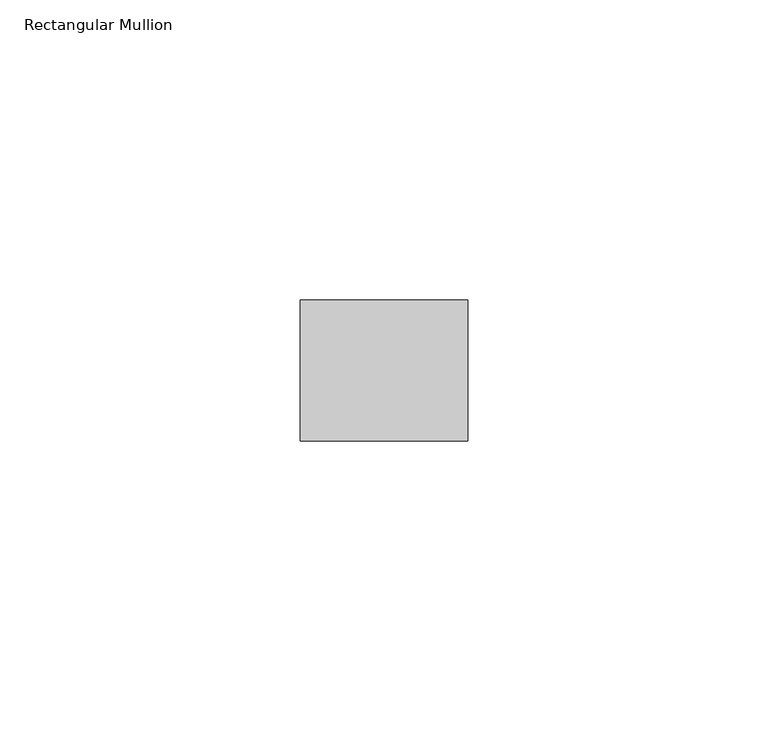
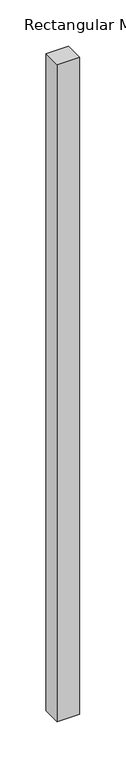
"""IFC4 building model written with IfcOpenShell, lengths in millimetres: member geometry, Rectangular Mullion."""

import ifcopenshell
import ifcopenshell.guid

model = None  # the IFC model being written
_history = None  # IfcOwnerHistory: only IFC2X3 demands one
_inside = {}  # id of a spatial element -> (the spatial element, [elements in it])
_under = {}  # id of a project, library or spatial element -> (it, [spatial elements below it])
_declared = {}  # id of a project -> (the project, [libraries it declares])
_typed = {}  # id of a type object -> (the type object, [elements of that type])
_made_of = {}  # id of a material, layer set ... -> (it, [elements and type objects made of it])


def new_model(schema):
    """Start an empty IFC model of exactly this schema.

    Asked for "IFC4X3", IfcOpenShell would pick the latest addendum, in which some entities
    have other attributes; the version numbers below select the first issue.
    IFC2X3 requires an IfcOwnerHistory on every rooted entity: one is made here for all.
    """
    global model, _history
    if schema == "IFC4X3":
        model = ifcopenshell.file(schema_version=(4, 3, 0, 0))
    else:
        model = ifcopenshell.file(schema=schema)
    _inside.clear()
    _under.clear()
    _declared.clear()
    _typed.clear()
    _made_of.clear()
    _history = None
    if model.schema == "IFC2X3":
        org = make("IfcOrganization", Name="unknown")
        user = make(
            "IfcPersonAndOrganization",
            ThePerson=make("IfcPerson", FamilyName="unknown"),
            TheOrganization=org,
        )
        app = make(
            "IfcApplication",
            ApplicationDeveloper=org,
            Version="unknown",
            ApplicationFullName="unknown",
            ApplicationIdentifier="unknown",
        )
        _history = make(
            "IfcOwnerHistory",
            OwningUser=user,
            OwningApplication=app,
            ChangeAction="ADDED",
            CreationDate=0,
        )
    return model


def make(cls, **values):
    """One entity of the class cls with the attributes given. An attribute that is None is left unset."""
    return model.create_entity(
        cls, **{name: value for name, value in values.items() if value is not None}
    )


def rooted(cls, **values):
    """An entity with a GlobalId (a new one), such as an element, a storey or a relation."""
    return make(cls, GlobalId=ifcopenshell.guid.new(), OwnerHistory=_history, **values)


def si_unit(unit_type, name, prefix=None):
    """IfcSIUnit, for example si_unit("LENGTHUNIT", "METRE", prefix="MILLI")."""
    return make("IfcSIUnit", UnitType=unit_type, Prefix=prefix, Name=name)


def assignment(units):
    """IfcUnitAssignment: the units of a project."""
    return None if units is None else make("IfcUnitAssignment", Units=units)


def point(xyz):
    """IfcCartesianPoint."""
    return None if xyz is None else make("IfcCartesianPoint", Coordinates=xyz)


def direction(xyz):
    """IfcDirection."""
    return None if xyz is None else make("IfcDirection", DirectionRatios=xyz)


def frame(location, z_axis=None, x_axis=None):
    """IfcAxis2Placement3D, a coordinate frame: its origin and axes. An axis left out is left unset."""
    return make(
        "IfcAxis2Placement3D",
        Location=point(location),
        Axis=direction(z_axis),
        RefDirection=direction(x_axis),
    )


def origin():
    """The frame at (0, 0, 0) with its axes left unset."""
    return frame((0.0, 0.0, 0.0))


def place(relative_to, where):
    """IfcLocalPlacement: puts the frame where relative to a parent placement (None: the world)."""
    return make(
        "IfcLocalPlacement", PlacementRelTo=relative_to, RelativePlacement=where
    )


def context(
    kind, dimensions, precision=None, world=None, true_north=None, identifier=None
):
    """IfcGeometricRepresentationContext, for example the 3D "Model" context."""
    return make(
        "IfcGeometricRepresentationContext",
        ContextIdentifier=identifier,
        ContextType=kind,
        CoordinateSpaceDimension=dimensions,
        Precision=precision,
        WorldCoordinateSystem=world,
        TrueNorth=true_north,
    )


def project(units=None, contexts=None):
    """IfcProject with its units and contexts."""
    return rooted(
        "IfcProject",
        Name="project",
        RepresentationContexts=contexts,
        UnitsInContext=assignment(units),
    )


def spatial(cls, under=None, at=None, **own):
    """A site, building, storey or space (cls), placed at a placement, below another one or the project."""
    s = rooted(cls, ObjectPlacement=at, **own)
    if under is not None:
        _under.setdefault(under.id(), (under, []))[1].append(s)
    return s


def polyline(points):
    """IfcPolyline through the points."""
    return make("IfcPolyline", Points=[point(p) for p in points])


def outline(outer, holes=None, kind="AREA"):
    """IfcArbitraryClosedProfileDef: a profile drawn as a closed curve; with holes, ...WithVoids."""
    if holes is None:
        return make("IfcArbitraryClosedProfileDef", ProfileType=kind, OuterCurve=outer)
    return make(
        "IfcArbitraryProfileDefWithVoids",
        ProfileType=kind,
        OuterCurve=outer,
        InnerCurves=holes,
    )


def extrude(swept, where, along, depth):
    """IfcExtrudedAreaSolid: the profile swept, set in the frame where, extruded along a direction by depth."""
    return make(
        "IfcExtrudedAreaSolid",
        SweptArea=swept,
        Position=where,
        ExtrudedDirection=direction(along),
        Depth=depth,
    )


def shape(context_of_items, identifier, shape_type, items):
    """IfcShapeRepresentation: the items that make up one representation, for example the "Body"."""
    return make(
        "IfcShapeRepresentation",
        ContextOfItems=context_of_items,
        RepresentationIdentifier=identifier,
        RepresentationType=shape_type,
        Items=items,
    )


def source(mapping_origin, context_of_items, identifier, shape_type, items):
    """IfcRepresentationMap: a shape defined once, which mapped items show again and again."""
    return make(
        "IfcRepresentationMap",
        MappingOrigin=mapping_origin,
        MappedRepresentation=shape(context_of_items, identifier, shape_type, items),
    )


def transform(
    local_origin,
    x_axis=None,
    y_axis=None,
    z_axis=None,
    scale=None,
    scale2=None,
    scale3=None,
    uniform=True,
):
    """IfcCartesianTransformationOperator3D, or its non-uniform kind. x_axis, y_axis, z_axis: its Axis1, 2, 3."""
    if uniform:
        return make(
            "IfcCartesianTransformationOperator3D",
            Axis1=direction(x_axis),
            Axis2=direction(y_axis),
            LocalOrigin=point(local_origin),
            Scale=scale,
            Axis3=direction(z_axis),
        )
    return make(
        "IfcCartesianTransformationOperator3DnonUniform",
        Axis1=direction(x_axis),
        Axis2=direction(y_axis),
        LocalOrigin=point(local_origin),
        Scale=scale,
        Axis3=direction(z_axis),
        Scale2=scale2,
        Scale3=scale3,
    )


def mapped(mapping_source, mapping_target):
    """IfcMappedItem: shows the shape of a source again, moved by a transform."""
    return make(
        "IfcMappedItem", MappingSource=mapping_source, MappingTarget=mapping_target
    )


def made_of(thing, what):
    """Note that an element or type object is made of a material, layer set ...; save() writes the relation."""
    if what is not None:
        _made_of.setdefault(what.id(), (what, []))[1].append(thing)
    return thing


def element(
    cls,
    number,
    at=None,
    inside=None,
    cuts=None,
    type_object=None,
    material=None,
    context=None,
    identifier="Body",
    shape_type=None,
    held_by="IfcProductDefinitionShape",
    body=None,
    shapes=None,
    **own,
):
    """One element of the class cls, such as IfcWall. Its Tag is "e" and its number.

    at: its placement. inside: the storey or other place that contains it. cuts: it is an
    opening in that element (IfcRelVoidsElement). A single representation is given by context,
    identifier, shape_type and body (its items); several are given by shapes. held_by: the class
    of the entity that holds the representations. save() writes the other relations.
    """
    e = rooted(cls, Tag="e%d" % number, ObjectPlacement=at, **own)
    if body is not None:
        shapes = [shape(context, identifier, shape_type, body)]
    if shapes is not None:
        e.Representation = make(held_by, Representations=shapes)
    if inside is not None:
        _inside.setdefault(inside.id(), (inside, []))[1].append(e)
    if cuts is not None:
        rooted(
            "IfcRelVoidsElement", RelatingBuildingElement=cuts, RelatedOpeningElement=e
        )
    if type_object is not None:
        _typed.setdefault(type_object.id(), (type_object, []))[1].append(e)
    return made_of(e, material)


def aggregate(whole, parts):
    """IfcRelAggregates: a whole, such as a stair, and the parts it consists of."""
    return rooted("IfcRelAggregates", RelatingObject=whole, RelatedObjects=parts)


def save(model, path):
    """Write the relations noted so far, then the file.

    IfcRelAggregates (storeys below a building ...), IfcRelContainedInSpatialStructure (elements
    in a storey), IfcRelDefinesByType, IfcRelAssociatesMaterial and IfcRelDeclares: one each for
    every whole, place, type object, material and project.
    """
    for whole, parts in _under.values():
        aggregate(whole, parts)
    for where, things in _inside.values():
        rooted(
            "IfcRelContainedInSpatialStructure",
            RelatedElements=things,
            RelatingStructure=where,
        )
    for kind, things in _typed.values():
        rooted("IfcRelDefinesByType", RelatedObjects=things, RelatingType=kind)
    for what, things in _made_of.values():
        rooted("IfcRelAssociatesMaterial", RelatedObjects=things, RelatingMaterial=what)
    for by, libraries in _declared.values():
        rooted("IfcRelDeclares", RelatingContext=by, RelatedDefinitions=libraries)
    model.write(path)


def rectangular_mullion_16822a09(model_context):
    return source(origin(), model_context, "Body", "SweptSolid", [
        extrude(outline(polyline([(0.0, -11.7474999), (-27.94, -11.7474999), (-27.94, 11.7474999), (0.0, 11.7474999), (0.0, -11.7474999)])), frame((0.0, 0.0, -863.6), z_axis=(0.0, 0.0, 1.0), x_axis=(1.0, 0.0, 0.0)), (0.0, 0.0, 1.0), 863.6),
    ])


if __name__ == "__main__":
    model = new_model("IFC4")
    model_context = context("Model", 3, world=origin())
    ifc_project = project(units=[si_unit("LENGTHUNIT", "METRE", prefix="MILLI")], contexts=[model_context])
    site = spatial("IfcSite", under=ifc_project)
    building = spatial("IfcBuilding", under=site)
    placement = place(None, origin())
    rectangular_mullion_shape = rectangular_mullion_16822a09(model_context)
    element("IfcMember", 1, ObjectType="Rectangular Mullion", at=placement, inside=building, context=model_context, shape_type="MappedRepresentation", body=[
        mapped(rectangular_mullion_shape, transform((0.0, 0.0, 0.0), x_axis=(1.0, 0.0, 0.0), y_axis=(0.0, 1.0, 0.0), z_axis=(0.0, 0.0, 1.0))),
    ])
    save(model, "model.ifc")
